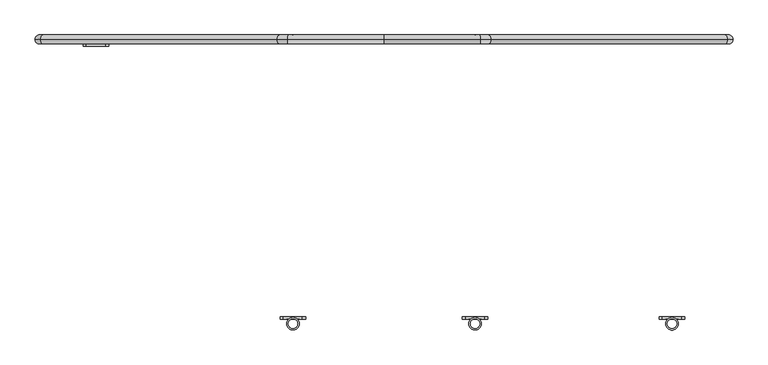
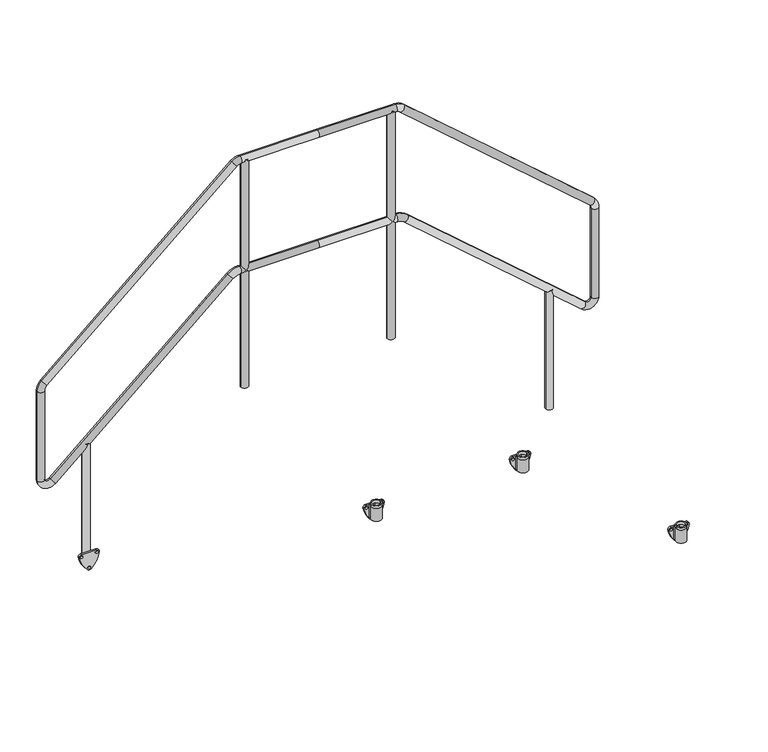
"""IFC4 building model written with IfcOpenShell, lengths in millimetres: beam geometry."""

from ifc_helpers import new_model, si_unit, point, frame, frame_2d, origin, place, context, project, spatial, polyline, circle_curve, ellipse_curve, trimmed, segment, composite_curve, outline, extrude, source, transform, mapped, element, save
from ifc_brep_helpers import plane_surface, cylinder_surface, revolved_surface, advanced_brep


def beam_e719cc30(model_context):
    return source(origin(), model_context, "Body", "SolidModel", [
        extrude(outline(composite_curve([segment(trimmed(circle_curve(frame_2d((312.1021879, -1005.6)), 118.3), [point((293.8380046, -1122.4816051))], [point((221.6269174, -1081.8175533))], False, "CARTESIAN"), True, "CONTINUOUS"), segment(trimmed(circle_curve(frame_2d((231.5021879, -1075.0)), 12.0), [point((221.6269174, -1081.8175533))], [point((223.2936993, -1066.246674))], False, "CARTESIAN"), True, "CONTINUOUS"), segment(trimmed(circle_curve(frame_2d((312.1021879, -1144.4)), 118.3), [point((223.2936993, -1066.246674))], [point((293.8380046, -1027.5183949))], False, "CARTESIAN"), True, "CONTINUOUS"), segment(trimmed(circle_curve(frame_2d((294.5021879, -1039.5)), 12.0), [point((293.8380046, -1027.5183949))], [point((306.5021879, -1039.5))], False, "CARTESIAN"), True, "CONTINUOUS"), segment(polyline([(306.5021879, -1039.5), (306.5021879, -1110.5)]), True, "CONTINUOUS"), segment(trimmed(circle_curve(frame_2d((294.5021879, -1110.5)), 12.0), [point((306.5021879, -1110.5))], [point((293.8380046, -1122.4816051))], False, "CARTESIAN"), True, "CONTINUOUS")], self_intersect=False), holes=[composite_curve([segment(trimmed(circle_curve(frame_2d((231.5021879, -1075.0)), 6.0), [point((231.5021879, -1081.0))], [point((231.5021879, -1069.0))], True, "CARTESIAN"), True, "CONTINUOUS"), segment(trimmed(circle_curve(frame_2d((231.5021879, -1075.0)), 6.0), [point((231.5021879, -1069.0))], [point((231.5021879, -1081.0))], True, "CARTESIAN"), True, "CONTINUOUS")], self_intersect=False), composite_curve([segment(trimmed(circle_curve(frame_2d((294.5021879, -1110.5)), 6.0), [point((294.5021879, -1116.5))], [point((294.5021879, -1104.5))], True, "CARTESIAN"), True, "CONTINUOUS"), segment(trimmed(circle_curve(frame_2d((294.5021879, -1110.5)), 6.0), [point((294.5021879, -1104.5))], [point((294.5021879, -1116.5))], True, "CARTESIAN"), True, "CONTINUOUS")], self_intersect=False), composite_curve([segment(trimmed(circle_curve(frame_2d((294.5021879, -1039.5)), 6.0), [point((294.5021879, -1033.5))], [point((294.5021879, -1045.5))], True, "CARTESIAN"), True, "CONTINUOUS"), segment(trimmed(circle_curve(frame_2d((294.5021879, -1039.5)), 6.0), [point((294.5021879, -1045.5))], [point((294.5021879, -1033.5))], True, "CARTESIAN"), True, "CONTINUOUS")], self_intersect=False)]), frame((0.0, 505.0, 0.0), z_axis=(0.0, 1.0, 0.0), x_axis=(0.0, 0.0, 1.0)), (0.0, 0.0, 1.0), 8.0),
        extrude(outline(composite_curve([segment(trimmed(circle_curve(frame_2d((-1075.0, 530.5)), 16.8), [point((-1091.8, 530.5))], [point((-1058.2, 530.5))], False, "CARTESIAN"), True, "CONTINUOUS"), segment(trimmed(circle_curve(frame_2d((-1075.0, 530.5)), 16.8), [point((-1058.2, 530.5))], [point((-1091.8, 530.5))], False, "CARTESIAN"), True, "CONTINUOUS")], self_intersect=False)), frame((0.0, 0.0, 248.5021879), z_axis=(0.0, 0.0, 1.0), x_axis=(1.0, 0.0, 0.0)), (0.0, 0.0, 1.0), 585.0),
        extrude(outline(composite_curve([segment(trimmed(circle_curve(frame_2d((1075.0, 530.5)), 16.8), [point((1091.8, 530.5))], [point((1058.2, 530.5))], False, "CARTESIAN"), True, "CONTINUOUS"), segment(trimmed(circle_curve(frame_2d((1075.0, 530.5)), 16.8), [point((1058.2, 530.5))], [point((1091.8, 530.5))], False, "CARTESIAN"), True, "CONTINUOUS")], self_intersect=False)), frame((0.0, 0.0, 248.5021879), z_axis=(0.0, 0.0, 1.0), x_axis=(1.0, 0.0, 0.0)), (0.0, 0.0, 1.0), 585.0),
        extrude(outline(composite_curve([segment(trimmed(circle_curve(frame_2d((-340.0, 530.5)), 16.8), [point((-356.8, 530.5))], [point((-323.2, 530.5))], False, "CARTESIAN"), True, "CONTINUOUS"), segment(trimmed(circle_curve(frame_2d((-340.0, 530.5)), 16.8), [point((-323.2, 530.5))], [point((-356.8, 530.5))], False, "CARTESIAN"), True, "CONTINUOUS")], self_intersect=False)), frame((0.0, 0.0, 850.5021879), z_axis=(0.0, 0.0, 1.0), x_axis=(1.0, 0.0, 0.0)), (0.0, 0.0, 1.0), 1120.0),
        extrude(outline(composite_curve([segment(trimmed(circle_curve(frame_2d((340.0, 530.5)), 16.8), [point((356.8, 530.5))], [point((323.2, 530.5))], False, "CARTESIAN"), True, "CONTINUOUS"), segment(trimmed(circle_curve(frame_2d((340.0, 530.5)), 16.8), [point((323.2, 530.5))], [point((356.8, 530.5))], False, "CARTESIAN"), True, "CONTINUOUS")], self_intersect=False)), frame((0.0, 0.0, 850.5021879), z_axis=(0.0, 0.0, 1.0), x_axis=(1.0, 0.0, 0.0)), (0.0, 0.0, 1.0), 1120.0),
        advanced_brep(
        [(0.0, 530.5, 1953.9021879), (0.0, 530.5, 1987.5021879), (360.0669192, 530.5, 1987.5021879), (360.0669192, 530.5, 1953.9021879), (399.430461, 530.5, 1972.7847627), (377.3868776, 530.5, 1947.4265208), (1282.3635417, 530.5, 1205.2627452), (1260.3199584, 530.5, 1179.9045033), (1303.0, 530.5, 1159.9801704), (1269.4, 530.5, 1159.9801704), (1303.0, 530.5, 721.9830931), (1269.4, 530.5, 721.9830931), (1220.1970486, 530.5, 684.2476141), (1242.2406319, 530.5, 709.605856), (396.6087175, 530.5, 1400.1820278), (418.6523008, 530.5, 1425.5402697), (363.805766, 530.5, 1412.4465487), (363.805766, 530.5, 1446.0465487), (0.0, 530.5, 1412.4465487), (0.0, 530.5, 1446.0465487), (-360.0669192, 530.5, 1953.9021879), (-360.0669192, 530.5, 1987.5021879), (-377.3868776, 530.5, 1947.4265208), (-399.430461, 530.5, 1972.7847627), (-1260.3199584, 530.5, 1179.9045033), (-1282.3635417, 530.5, 1205.2627452), (-1269.4, 530.5, 1159.9801704), (-1303.0, 530.5, 1159.9801704), (-1269.4, 530.5, 721.9830931), (-1303.0, 530.5, 721.9830931), (-1242.2406319, 530.5, 709.605856), (-1220.1970486, 530.5, 684.2476141), (-418.6523008, 530.5, 1425.5402697), (-396.6087175, 530.5, 1400.1820278), (-363.805766, 530.5, 1446.0465487), (-363.805766, 530.5, 1412.4465487)],
        [
            (0, 1, circle_curve(frame((0.0, 530.5, 1970.7021879), z_axis=(1.0, 0.0, 0.0), x_axis=(0.0, 0.0, -1.0)), 16.8)),
            (1, 2),
            (2, 3, circle_curve(frame((360.0669192, 530.5, 1970.7021879), z_axis=(-1.0, 0.0, 0.0), x_axis=(0.0, 0.0, -1.0)), 16.8)),
            (3, 0),
            (3, 2, circle_curve(frame((360.0669192, 530.5, 1970.7021879), z_axis=(-1.0, 0.0, 0.0), x_axis=(0.0, 0.0, -1.0)), 16.8)),
            (1, 0, circle_curve(frame((0.0, 530.5, 1970.7021879), z_axis=(1.0, 0.0, 0.0), x_axis=(0.0, 0.0, -1.0)), 16.8)),
            (2, 4, circle_curve(frame((360.0669192, 530.5, 1927.5021879), z_axis=(0.0, 1.0, 0.0), x_axis=(0.0, 0.0, 1.0)), 60.0)),
            (4, 5, circle_curve(frame((388.4086693, 530.5, 1960.1056417), z_axis=(-0.7547095802227741, 0.0, 0.6560590289905048), x_axis=(-0.6560590289905048, 0.0, -0.7547095802227741)), 16.8)),
            (5, 3, circle_curve(frame((360.0669192, 530.5, 1927.5021879), z_axis=(0.0, -1.0, 0.0), x_axis=(0.0, 0.0, 1.0)), 26.4)),
            (5, 4, circle_curve(frame((388.4086693, 530.5, 1960.1056417), z_axis=(-0.754709580222774, 0.0, 0.6560590289905049), x_axis=(-0.6560590289905049, 0.0, -0.754709580222774)), 16.8)),
            (4, 6),
            (6, 7, circle_curve(frame((1271.3417501, 530.5, 1192.5836242), z_axis=(-0.7547095802227749, 0.0, 0.6560590289905042), x_axis=(-0.6560590289905041, 0.0, -0.7547095802227747)), 16.8)),
            (7, 5),
            (7, 6, circle_curve(frame((1271.3417501, 530.5, 1192.5836242), z_axis=(-0.7547095802227749, 0.0, 0.6560590289905042), x_axis=(-0.6560590289905041, 0.0, -0.7547095802227747)), 16.8)),
            (6, 8, circle_curve(frame((1243.0, 530.5, 1159.9801704), z_axis=(0.0, 1.0, 0.0), x_axis=(0.6560590289905028, 0.0, 0.7547095802227759)), 60.0)),
            (8, 9, circle_curve(frame((1286.2, 530.5, 1159.9801704), z_axis=(0.0, 0.0, 1.0), x_axis=(-1.0, 0.0, 0.0)), 16.8)),
            (9, 7, circle_curve(frame((1243.0, 530.5, 1159.9801704), z_axis=(0.0, -1.0, 0.0), x_axis=(0.6560590289905028, 0.0, 0.7547095802227759)), 26.4)),
            (9, 8, circle_curve(frame((1286.2, 530.5, 1159.9801704), z_axis=(0.0, 0.0, 1.0), x_axis=(-1.0, 0.0, 0.0)), 16.8)),
            (8, 10),
            (10, 11, circle_curve(frame((1286.2, 530.5, 721.9830931), z_axis=(0.0, 0.0, 1.0), x_axis=(-1.0, 0.0, 0.0)), 16.8)),
            (11, 9),
            (11, 10, circle_curve(frame((1286.2, 530.5, 721.9830931), z_axis=(0.0, 0.0, 1.0), x_axis=(-1.0, 0.0, 0.0)), 16.8)),
            (10, 12, circle_curve(frame((1253.0, 530.5, 721.9830931), z_axis=(0.0, 1.0, 0.0), x_axis=(1.0, 0.0, 0.0)), 50.0)),
            (12, 13, circle_curve(frame((1231.2188402, 530.5, 696.9267351), z_axis=(0.7547095802227767, 0.0, -0.6560590289905018), x_axis=(0.6560590289905018, 0.0, 0.7547095802227767)), 16.8)),
            (13, 11, circle_curve(frame((1253.0, 530.5, 721.9830931), z_axis=(0.0, -1.0, 0.0), x_axis=(1.0, 0.0, 0.0)), 16.4)),
            (13, 12, circle_curve(frame((1231.2188402, 530.5, 696.9267351), z_axis=(0.7547095802227715, 0.0, -0.6560590289905078), x_axis=(0.6560590289905078, 0.0, 0.7547095802227715)), 16.8)),
            (12, 14),
            (14, 15, circle_curve(frame((407.6305092, 530.5, 1412.8611487), z_axis=(0.7547095802227748, 0.0, -0.6560590289905041), x_axis=(0.6560590289905041, 0.0, 0.7547095802227748)), 16.8)),
            (15, 13),
            (15, 14, circle_curve(frame((407.6305092, 530.5, 1412.8611487), z_axis=(0.7547095802227748, 0.0, -0.6560590289905041), x_axis=(0.6560590289905041, 0.0, 0.7547095802227748)), 16.8)),
            (14, 16, circle_curve(frame((363.805766, 530.5, 1362.4465487), z_axis=(0.0, -1.0, 0.0), x_axis=(0.6560590289905083, 0.0, 0.754709580222771)), 50.0)),
            (16, 17, circle_curve(frame((363.805766, 530.5, 1429.2465487), z_axis=(0.9999999999999998, 0.0, 0.0), x_axis=(0.0, 0.0, 0.9999999999999998)), 16.8)),
            (17, 15, circle_curve(frame((363.805766, 530.5, 1362.4465487), z_axis=(0.0, 1.0, 0.0), x_axis=(0.6560590289905083, 0.0, 0.754709580222771)), 83.6)),
            (17, 16, circle_curve(frame((363.805766, 530.5, 1429.2465487), z_axis=(0.9999999999999998, 0.0, 0.0), x_axis=(0.0, 0.0, 0.9999999999999998)), 16.8)),
            (16, 18),
            (18, 19, circle_curve(frame((0.0, 530.5, 1429.2465487), z_axis=(1.0, 0.0, 0.0), x_axis=(0.0, 0.0, 1.0)), 16.8)),
            (19, 17),
            (19, 18, circle_curve(frame((0.0, 530.5, 1429.2465487), z_axis=(1.0, 0.0, 0.0), x_axis=(0.0, 0.0, 1.0)), 16.8)),
            (0, 20),
            (20, 21, circle_curve(frame((-360.0669192, 530.5, 1970.7021879), z_axis=(1.0, 0.0, 0.0), x_axis=(0.0, 0.0, -1.0)), 16.8)),
            (21, 1),
            (21, 20, circle_curve(frame((-360.0669192, 530.5, 1970.7021879), z_axis=(1.0, 0.0, 0.0), x_axis=(0.0, 0.0, -1.0)), 16.8)),
            (20, 22, circle_curve(frame((-360.0669192, 530.5, 1927.5021879), z_axis=(0.0, -1.0, 0.0), x_axis=(0.0, 0.0, 1.0)), 26.4)),
            (22, 23, circle_curve(frame((-388.4086693, 530.5, 1960.1056417), z_axis=(0.7547095802227722, 0.0, 0.656059028990507), x_axis=(0.656059028990507, 0.0, -0.7547095802227722)), 16.8)),
            (23, 21, circle_curve(frame((-360.0669192, 530.5, 1927.5021879), z_axis=(0.0, 1.0, 0.0), x_axis=(0.0, 0.0, 1.0)), 60.0)),
            (23, 22, circle_curve(frame((-388.4086693, 530.5, 1960.1056417), z_axis=(0.7547095802227739, 0.0, 0.6560590289905052), x_axis=(0.6560590289905052, 0.0, -0.7547095802227739)), 16.8)),
            (22, 24),
            (24, 25, circle_curve(frame((-1271.3417501, 530.5, 1192.5836242), z_axis=(0.7547095802227749, 0.0, 0.6560590289905042), x_axis=(0.6560590289905041, 0.0, -0.7547095802227747)), 16.8)),
            (25, 23),
            (25, 24, circle_curve(frame((-1271.3417501, 530.5, 1192.5836242), z_axis=(0.7547095802227749, 0.0, 0.6560590289905042), x_axis=(0.6560590289905041, 0.0, -0.7547095802227747)), 16.8)),
            (24, 26, circle_curve(frame((-1243.0, 530.5, 1159.9801704), z_axis=(0.0, -1.0, 0.0), x_axis=(-0.6560590289905042, 0.0, 0.7547095802227747)), 26.4)),
            (26, 27, circle_curve(frame((-1286.2, 530.5, 1159.9801704), z_axis=(0.0, 0.0, 1.0), x_axis=(1.0, 0.0, 0.0)), 16.8)),
            (27, 25, circle_curve(frame((-1243.0, 530.5, 1159.9801704), z_axis=(0.0, 1.0, 0.0), x_axis=(-0.6560590289905042, 0.0, 0.7547095802227747)), 60.0)),
            (27, 26, circle_curve(frame((-1286.2, 530.5, 1159.9801704), z_axis=(0.0, 0.0, 1.0), x_axis=(1.0, 0.0, 0.0)), 16.8)),
            (26, 28),
            (28, 29, circle_curve(frame((-1286.2, 530.5, 721.9830931), z_axis=(0.0, 0.0, 1.0), x_axis=(1.0, 0.0, 0.0)), 16.8)),
            (29, 27),
            (29, 28, circle_curve(frame((-1286.2, 530.5, 721.9830931), z_axis=(0.0, 0.0, 1.0), x_axis=(1.0, 0.0, 0.0)), 16.8)),
            (28, 30, circle_curve(frame((-1253.0, 530.5, 721.9830931), z_axis=(0.0, -1.0, 0.0), x_axis=(-1.0, 0.0, 0.0)), 16.4)),
            (30, 31, circle_curve(frame((-1231.2188402, 530.5, 696.9267351), z_axis=(-0.7547095802227692, 0.0, -0.6560590289905105), x_axis=(-0.6560590289905105, 0.0, 0.7547095802227692)), 16.8)),
            (31, 29, circle_curve(frame((-1253.0, 530.5, 721.9830931), z_axis=(0.0, 1.0, 0.0), x_axis=(-1.0, 0.0, 0.0)), 50.0)),
            (31, 30, circle_curve(frame((-1231.2188402, 530.5, 696.9267351), z_axis=(-0.754709580222778, 0.0, -0.6560590289905005), x_axis=(-0.6560590289905005, 0.0, 0.754709580222778)), 16.8)),
            (30, 32),
            (32, 33, circle_curve(frame((-407.6305092, 530.5, 1412.8611487), z_axis=(-0.7547095802227748, 0.0, -0.6560590289905041), x_axis=(-0.6560590289905041, 0.0, 0.7547095802227748)), 16.8)),
            (33, 31),
            (33, 32, circle_curve(frame((-407.6305092, 530.5, 1412.8611487), z_axis=(-0.7547095802227748, 0.0, -0.6560590289905041), x_axis=(-0.6560590289905041, 0.0, 0.7547095802227748)), 16.8)),
            (32, 34, circle_curve(frame((-363.805766, 530.5, 1362.4465487), z_axis=(0.0, 1.0, 0.0), x_axis=(-0.6560590289905083, 0.0, 0.754709580222771)), 83.6)),
            (34, 35, circle_curve(frame((-363.805766, 530.5, 1429.2465487), z_axis=(-0.9999999999999999, 0.0, 0.0), x_axis=(0.0, 0.0, 0.9999999999999999)), 16.8)),
            (35, 33, circle_curve(frame((-363.805766, 530.5, 1362.4465487), z_axis=(0.0, -1.0, 0.0), x_axis=(-0.6560590289905083, 0.0, 0.754709580222771)), 50.0)),
            (35, 34, circle_curve(frame((-363.805766, 530.5, 1429.2465487), z_axis=(-0.9999999999999999, 0.0, 0.0), x_axis=(0.0, 0.0, 0.9999999999999999)), 16.8)),
            (34, 19),
            (18, 35),
        ],
        [
            cylinder_surface(frame((0.0, 530.5, 1970.7021879), z_axis=(-1.0, 0.0, 0.0), x_axis=(0.0, 0.0, -1.0)), 16.8),
            revolved_surface(trimmed(ellipse_curve(frame((360.0669192, 530.5, 1970.7021879), z_axis=(1.0, 0.0, 0.0), x_axis=(0.0, 0.0, -1.0)), 16.8, 16.8), [point((360.0669192, 530.5, 1953.9021879))], [point((360.0669192, 530.5, 1987.5021879))], True, "CARTESIAN"), (360.0669192, 530.5, 1927.5021879), (0.0, -1.0, 0.0)),
            revolved_surface(trimmed(ellipse_curve(frame((360.0669192, 530.5, 1970.7021879), z_axis=(1.0, 0.0, 0.0), x_axis=(0.0, 0.0, -1.0)), 16.8, 16.8), [point((360.0669192, 530.5, 1987.5021879))], [point((360.0669192, 530.5, 1953.9021879))], True, "CARTESIAN"), (360.0669192, 530.5, 1927.5021879), (0.0, -1.0, 0.0)),
            cylinder_surface(frame((388.4086693, 530.5, 1960.1056417), z_axis=(-0.7547095802227747, 0.0, 0.6560590289905041), x_axis=(-0.6560590289905041, 0.0, -0.7547095802227747)), 16.8),
            revolved_surface(trimmed(ellipse_curve(frame((1271.3417501, 530.5, 1192.5836242), z_axis=(0.7547095802227761, 0.0, -0.6560590289905026), x_axis=(-0.6560590289905026, 0.0, -0.7547095802227761)), 16.8, 16.8), [point((1260.3199584, 530.5, 1179.9045033))], [point((1282.3635417, 530.5, 1205.2627452))], True, "CARTESIAN"), (1243.0, 530.5, 1159.9801704), (0.0, -1.0, 0.0)),
            revolved_surface(trimmed(ellipse_curve(frame((1271.3417501, 530.5, 1192.5836242), z_axis=(0.7547095802227761, 0.0, -0.6560590289905026), x_axis=(-0.6560590289905026, 0.0, -0.7547095802227761)), 16.8, 16.8), [point((1282.3635417, 530.5, 1205.2627452))], [point((1260.3199584, 530.5, 1179.9045033))], True, "CARTESIAN"), (1243.0, 530.5, 1159.9801704), (0.0, -1.0, 0.0)),
            cylinder_surface(frame((1286.2, 530.5, 1159.9801704), z_axis=(0.0, 0.0, 1.0), x_axis=(-1.0, 0.0, 0.0)), 16.8),
            revolved_surface(trimmed(ellipse_curve(frame((1286.2, 530.5, 721.9830931), z_axis=(0.0, 0.0, -1.0), x_axis=(-1.0, 0.0, 0.0)), 16.8, 16.8), [point((1269.4, 530.5, 721.9830931))], [point((1303.0, 530.5, 721.9830931))], True, "CARTESIAN"), (1253.0, 530.5, 721.9830931), (0.0, -1.0, 0.0)),
            revolved_surface(trimmed(ellipse_curve(frame((1286.2, 530.5, 721.9830931), z_axis=(0.0, 0.0, -1.0), x_axis=(-1.0, 0.0, 0.0)), 16.8, 16.8), [point((1303.0, 530.5, 721.9830931))], [point((1269.4, 530.5, 721.9830931))], True, "CARTESIAN"), (1253.0, 530.5, 721.9830931), (0.0, -1.0, 0.0)),
            cylinder_surface(frame((1231.2188402, 530.5, 696.9267351), z_axis=(0.7547095802227748, 0.0, -0.6560590289905041), x_axis=(0.6560590289905041, 0.0, 0.7547095802227748)), 16.8),
            revolved_surface(trimmed(ellipse_curve(frame((407.6305092, 530.5, 1412.8611487), z_axis=(-0.7547095802227711, 0.0, 0.6560590289905082), x_axis=(0.6560590289905082, 0.0, 0.7547095802227711)), 16.8, 16.8), [point((418.6523008, 530.5, 1425.5402697))], [point((396.6087175, 530.5, 1400.1820278))], True, "CARTESIAN"), (363.805766, 530.5, 1362.4465487), (0.0, 1.0, 0.0)),
            revolved_surface(trimmed(ellipse_curve(frame((407.6305092, 530.5, 1412.8611487), z_axis=(-0.7547095802227711, 0.0, 0.6560590289905082), x_axis=(0.6560590289905082, 0.0, 0.7547095802227711)), 16.8, 16.8), [point((396.6087175, 530.5, 1400.1820278))], [point((418.6523008, 530.5, 1425.5402697))], True, "CARTESIAN"), (363.805766, 530.5, 1362.4465487), (0.0, 1.0, 0.0)),
            cylinder_surface(frame((363.805766, 530.5, 1429.2465487), z_axis=(1.0, 0.0, 0.0), x_axis=(0.0, 0.0, 1.0)), 16.8),
            cylinder_surface(frame((0.0, 530.5, 1970.7021879), z_axis=(1.0, 0.0, 0.0), x_axis=(0.0, 0.0, -1.0)), 16.8),
            revolved_surface(trimmed(ellipse_curve(frame((-360.0669192, 530.5, 1970.7021879), z_axis=(-1.0, 0.0, 0.0), x_axis=(0.0, 0.0, -1.0)), 16.8, 16.8), [point((-360.0669192, 530.5, 1987.5021879))], [point((-360.0669192, 530.5, 1953.9021879))], True, "CARTESIAN"), (-360.0669192, 530.5, 1927.5021879), (0.0, 1.0, 0.0)),
            revolved_surface(trimmed(ellipse_curve(frame((-360.0669192, 530.5, 1970.7021879), z_axis=(-1.0, 0.0, 0.0), x_axis=(0.0, 0.0, -1.0)), 16.8, 16.8), [point((-360.0669192, 530.5, 1953.9021879))], [point((-360.0669192, 530.5, 1987.5021879))], True, "CARTESIAN"), (-360.0669192, 530.5, 1927.5021879), (0.0, 1.0, 0.0)),
            cylinder_surface(frame((-388.4086693, 530.5, 1960.1056417), z_axis=(0.7547095802227747, 0.0, 0.6560590289905041), x_axis=(0.6560590289905041, 0.0, -0.7547095802227747)), 16.8),
            revolved_surface(trimmed(ellipse_curve(frame((-1271.3417501, 530.5, 1192.5836242), z_axis=(-0.7547095802227748, 0.0, -0.656059028990504), x_axis=(0.656059028990504, 0.0, -0.7547095802227748)), 16.8, 16.8), [point((-1282.3635417, 530.5, 1205.2627452))], [point((-1260.3199584, 530.5, 1179.9045033))], True, "CARTESIAN"), (-1243.0, 530.5, 1159.9801704), (0.0, 1.0, 0.0)),
            revolved_surface(trimmed(ellipse_curve(frame((-1271.3417501, 530.5, 1192.5836242), z_axis=(-0.7547095802227748, 0.0, -0.656059028990504), x_axis=(0.656059028990504, 0.0, -0.7547095802227748)), 16.8, 16.8), [point((-1260.3199584, 530.5, 1179.9045033))], [point((-1282.3635417, 530.5, 1205.2627452))], True, "CARTESIAN"), (-1243.0, 530.5, 1159.9801704), (0.0, 1.0, 0.0)),
            cylinder_surface(frame((-1286.2, 530.5, 1159.9801704), z_axis=(0.0, 0.0, 1.0), x_axis=(1.0, 0.0, 0.0)), 16.8),
            revolved_surface(trimmed(ellipse_curve(frame((-1286.2, 530.5, 721.9830931), z_axis=(0.0, 0.0, -1.0), x_axis=(1.0, 0.0, 0.0)), 16.8, 16.8), [point((-1303.0, 530.5, 721.9830931))], [point((-1269.4, 530.5, 721.9830931))], True, "CARTESIAN"), (-1253.0, 530.5, 721.9830931), (0.0, 1.0, 0.0)),
            revolved_surface(trimmed(ellipse_curve(frame((-1286.2, 530.5, 721.9830931), z_axis=(0.0, 0.0, -1.0), x_axis=(1.0, 0.0, 0.0)), 16.8, 16.8), [point((-1269.4, 530.5, 721.9830931))], [point((-1303.0, 530.5, 721.9830931))], True, "CARTESIAN"), (-1253.0, 530.5, 721.9830931), (0.0, 1.0, 0.0)),
            cylinder_surface(frame((-1231.2188402, 530.5, 696.9267351), z_axis=(-0.7547095802227748, 0.0, -0.6560590289905041), x_axis=(-0.6560590289905041, 0.0, 0.7547095802227748)), 16.8),
            revolved_surface(trimmed(ellipse_curve(frame((-407.6305092, 530.5, 1412.8611487), z_axis=(0.7547095802227711, 0.0, 0.6560590289905082), x_axis=(-0.6560590289905082, 0.0, 0.7547095802227711)), 16.8, 16.8), [point((-396.6087175, 530.5, 1400.1820278))], [point((-418.6523008, 530.5, 1425.5402697))], True, "CARTESIAN"), (-363.805766, 530.5, 1362.4465487), (0.0, -1.0, 0.0)),
            revolved_surface(trimmed(ellipse_curve(frame((-407.6305092, 530.5, 1412.8611487), z_axis=(0.7547095802227711, 0.0, 0.6560590289905082), x_axis=(-0.6560590289905082, 0.0, 0.7547095802227711)), 16.8, 16.8), [point((-418.6523008, 530.5, 1425.5402697))], [point((-396.6087175, 530.5, 1400.1820278))], True, "CARTESIAN"), (-363.805766, 530.5, 1362.4465487), (0.0, -1.0, 0.0)),
            cylinder_surface(frame((-363.805766, 530.5, 1429.2465487), z_axis=(-1.0, 0.0, 0.0), x_axis=(0.0, 0.0, 1.0)), 16.8),
        ],
        [
            (0, [[1, 2, 3, 4]]),
            (0, [[5, -2, 6, -4]]),
            (1, [[7, 8, 9, -3]]),
            (2, [[-9, 10, -7, -5]]),
            (3, [[11, 12, 13, -8]]),
            (3, [[-13, 14, -11, -10]]),
            (4, [[15, 16, 17, -12]]),
            (5, [[-17, 18, -15, -14]]),
            (6, [[19, 20, 21, -16]]),
            (6, [[-21, 22, -19, -18]]),
            (7, [[23, 24, 25, -20]]),
            (8, [[-25, 26, -23, -22]]),
            (9, [[27, 28, 29, -24]]),
            (9, [[-29, 30, -27, -26]]),
            (10, [[31, 32, 33, -28]]),
            (11, [[-33, 34, -31, -30]]),
            (12, [[35, 36, 37, -32]]),
            (12, [[-37, 38, -35, -34]]),
            (13, [[-1, 39, 40, 41]]),
            (13, [[42, -39, -6, -41]]),
            (14, [[43, 44, 45, -40]]),
            (15, [[-45, 46, -43, -42]]),
            (16, [[47, 48, 49, -44]]),
            (16, [[-49, 50, -47, -46]]),
            (17, [[51, 52, 53, -48]]),
            (18, [[-53, 54, -51, -50]]),
            (19, [[55, 56, 57, -52]]),
            (19, [[-57, 58, -55, -54]]),
            (20, [[59, 60, 61, -56]]),
            (21, [[-61, 62, -59, -58]]),
            (22, [[63, 64, 65, -60]]),
            (22, [[-65, 66, -63, -62]]),
            (23, [[67, 68, 69, -64]]),
            (24, [[-69, 70, -67, -66]]),
            (25, [[71, -36, 72, -68]]),
            (25, [[-72, -38, -71, -70]]),
        ],
    ),
        advanced_brep(
        [(1051.5, -530.5, 318.5021879), (1098.5, -530.5, 318.5021879), (1057.5, -530.5, 318.5021879), (1092.5, -530.5, 318.5021879), (1059.3156129, -513.0, 306.5021879), (1090.6843871, -513.0, 306.5021879), (1075.0, -513.0, 306.5021879), (1057.5, -530.5, 306.5021879), (1070.7257904, -513.5299932, 306.5021879), (1075.0, -513.0, 306.5021879), (1079.2742096, -513.5299932, 306.5021879), (1092.5, -530.5, 306.5021879), (1051.5, -530.5, 306.5021879), (1098.5, -530.5, 306.5021879), (1094.9275065, -518.0442991, 306.5021879), (1055.0724935, -518.0442991, 306.5021879), (1097.839834, -513.0, 306.5021879), (1052.160166, -513.0, 306.5021879), (1094.9275065, -518.0442991, 242.5021879), (1055.0724935, -518.0442991, 242.5021879), (1052.160166, -513.0, 242.5021879), (1097.839834, -513.0, 242.5021879), (1079.2742096, -513.5299932, 242.5021879), (1070.7257904, -513.5299932, 242.5021879)],
        [
            (0, 1, circle_curve(frame((1075.0, -530.5, 318.5021879), z_axis=(0.0, 0.0, 1.0), x_axis=(1.0, 0.0, 0.0)), 23.5)),
            (1, 0, circle_curve(frame((1075.0, -530.5, 318.5021879), z_axis=(0.0, 0.0, 1.0), x_axis=(1.0, 0.0, 0.0)), 23.5)),
            (2, 3, circle_curve(frame((1075.0, -530.5, 318.5021879), z_axis=(0.0, 0.0, -1.0), x_axis=(1.0, 0.0, 0.0)), 17.5)),
            (3, 2, circle_curve(frame((1075.0, -530.5, 318.5021879), z_axis=(0.0, 0.0, -1.0), x_axis=(1.0, 0.0, 0.0)), 17.5)),
            (4, 5, circle_curve(frame((1075.0, -530.5, 306.5021879), z_axis=(0.0, 0.0, -1.0), x_axis=(1.0, 0.0, 0.0)), 23.5)),
            (5, 6),
            (6, 4),
            (2, 7),
            (7, 8, circle_curve(frame((1075.0, -530.5, 306.5021879), z_axis=(0.0, 0.0, -1.0), x_axis=(1.0, 0.0, 0.0)), 17.5)),
            (8, 9, circle_curve(frame((1075.0, -530.5, 306.5021879), z_axis=(0.0, 0.0, -1.0), x_axis=(1.0, 0.0, 0.0)), 17.5)),
            (9, 10, circle_curve(frame((1075.0, -530.5, 306.5021879), z_axis=(0.0, 0.0, -1.0), x_axis=(1.0, 0.0, 0.0)), 17.5)),
            (10, 11, circle_curve(frame((1075.0, -530.5, 306.5021879), z_axis=(0.0, 0.0, -1.0), x_axis=(1.0, 0.0, 0.0)), 17.5)),
            (11, 3),
            (11, 7, circle_curve(frame((1075.0, -530.5, 306.5021879), z_axis=(0.0, 0.0, -1.0), x_axis=(1.0, 0.0, 0.0)), 17.5)),
            (0, 12),
            (12, 13, circle_curve(frame((1075.0, -530.5, 306.5021879), z_axis=(0.0, 0.0, 1.0), x_axis=(1.0, 0.0, 0.0)), 23.5)),
            (13, 1),
            (13, 14, circle_curve(frame((1075.0, -530.5, 306.5021879), z_axis=(0.0, 0.0, 1.0), x_axis=(1.0, 0.0, 0.0)), 23.5)),
            (14, 5, circle_curve(frame((1075.0, -530.5, 306.5021879), z_axis=(0.0, 0.0, 1.0), x_axis=(1.0, 0.0, 0.0)), 23.5)),
            (4, 15, circle_curve(frame((1075.0, -530.5, 306.5021879), z_axis=(0.0, 0.0, 1.0), x_axis=(1.0, 0.0, 0.0)), 23.5)),
            (15, 12, circle_curve(frame((1075.0, -530.5, 306.5021879), z_axis=(0.0, 0.0, 1.0), x_axis=(1.0, 0.0, 0.0)), 23.5)),
            (8, 10),
            (14, 16, circle_curve(frame((1097.8288747, -516.3565387, 306.5021879), z_axis=(0.0, 0.0, -1.0), x_axis=(-1.0, 0.0, 0.0)), 3.3565566)),
            (16, 5),
            (17, 15, circle_curve(frame((1052.1711253, -516.3565387, 306.5021879), z_axis=(0.0, 0.0, -1.0), x_axis=(1.0, 0.0, 0.0)), 3.3565566)),
            (4, 17),
            (18, 19, circle_curve(frame((1075.0, -530.5, 242.5021879), z_axis=(0.0, 0.0, -1.0), x_axis=(1.0, 0.0, 0.0)), 23.5)),
            (19, 20, circle_curve(frame((1052.1711253, -516.3565387, 242.5021879), z_axis=(0.0, 0.0, 1.0), x_axis=(1.0, 0.0, 0.0)), 3.3565566)),
            (20, 21),
            (21, 18, circle_curve(frame((1097.8288747, -516.3565387, 242.5021879), z_axis=(0.0, 0.0, 1.0), x_axis=(-1.0, 0.0, 0.0)), 3.3565566)),
            (22, 23),
            (23, 22, circle_curve(frame((1075.0, -530.5, 242.5021879), z_axis=(0.0, 0.0, 1.0), x_axis=(1.0, 0.0, 0.0)), 17.5)),
            (23, 8),
            (10, 22),
            (14, 18),
            (21, 16),
            (20, 17),
            (19, 15),
        ],
        [
            plane_surface(frame((1092.5, -530.5, 318.5021879), z_axis=(0.0, 0.0, 1.0), x_axis=(0.0, -1.0, 0.0))),
            plane_surface(frame((1092.5, -530.5, 306.5021879), z_axis=(0.0, 0.0, -1.0), x_axis=(0.0, 1.0, 0.0))),
            revolved_surface(polyline([(1092.5, -530.5, 306.5021879), (1092.5, -530.5, 318.5021879)]), (1075.0, -530.5, 306.5021879), (0.0, 0.0, -1.0)),
            cylinder_surface(frame((1075.0, -530.5, 306.5021879), z_axis=(0.0, 0.0, 1.0), x_axis=(1.0, 0.0, 0.0)), 23.5),
            plane_surface(frame((1092.5, -530.5, 306.5021879), z_axis=(0.0, 0.0, 1.0), x_axis=(0.0, -1.0, 0.0))),
            plane_surface(frame((1092.5, -530.5, 242.5021879), z_axis=(0.0, 0.0, -1.0), x_axis=(0.0, 1.0, 0.0))),
            revolved_surface(polyline([(1092.5, -530.5, 242.5021879), (1092.5, -530.5, 306.5021879)]), (1075.0, -530.5, 242.5021879), (0.0, 0.0, -1.0)),
            plane_surface(frame((1070.7257904, -513.5299932, 306.5021879), z_axis=(0.0, -1.0, 0.0), x_axis=(0.0, 0.0, -1.0))),
            revolved_surface(polyline([(1094.4723181, -516.3565387, 242.5021879), (1094.4723181, -516.3565387, 306.5021879)]), (1097.8288747, -516.3565387, 242.5021879), (0.0, 0.0, -1.0)),
            plane_surface(frame((1097.839834, -513.0, 306.5021879), z_axis=(0.0, 1.0, 0.0), x_axis=(0.0, 0.0, -1.0))),
            revolved_surface(polyline([(1055.5276819, -516.3565387, 242.5021879), (1055.5276819, -516.3565387, 306.5021879)]), (1052.1711253, -516.3565387, 242.5021879), (0.0, 0.0, -1.0)),
            cylinder_surface(frame((1075.0, -530.5, 242.5021879), z_axis=(0.0, 0.0, 1.0), x_axis=(1.0, 0.0, 0.0)), 23.5),
        ],
        [
            (0, [[1, 2], [3, 4]]),
            (1, [[5, 6, 7]]),
            (2, [[-3, 8, 9, 10, 11, 12, 13]]),
            (2, [[-4, -13, 14, -8]]),
            (3, [[-1, 15, 16, 17]]),
            (3, [[-2, -17, 18, 19, -5, 20, 21, -15]]),
            (4, [[22, -11, -10]]),
            (4, [[23, 24, -19]]),
            (4, [[25, -20, 26]]),
            (5, [[27, 28, 29, 30], [31, 32]]),
            (6, [[-32, 33, -9, -14, -12, 34]]),
            (7, [[-22, -33, -31, -34]]),
            (8, [[-23, 35, -30, 36]]),
            (9, [[-29, 37, -26, -7, -6, -24, -36]]),
            (10, [[-25, -37, -28, 38]]),
            (11, [[-27, -35, -18, -16, -21, -38]]),
        ],
    ),
        extrude(outline(composite_curve([segment(trimmed(circle_curve(frame_2d((312.1021879, 1144.4)), 118.3), [point((293.8380046, 1027.5183949))], [point((221.6269174, 1068.1824467))], False, "CARTESIAN"), True, "CONTINUOUS"), segment(trimmed(circle_curve(frame_2d((231.5021879, 1075.0)), 12.0), [point((221.6269174, 1068.1824467))], [point((223.2936993, 1083.753326))], False, "CARTESIAN"), True, "CONTINUOUS"), segment(trimmed(circle_curve(frame_2d((312.1021879, 1005.6)), 118.3), [point((223.2936993, 1083.753326))], [point((293.8380046, 1122.4816051))], False, "CARTESIAN"), True, "CONTINUOUS"), segment(trimmed(circle_curve(frame_2d((294.5021879, 1110.5)), 12.0), [point((293.8380046, 1122.4816051))], [point((306.5021879, 1110.5))], False, "CARTESIAN"), True, "CONTINUOUS"), segment(polyline([(306.5021879, 1110.5), (306.5021879, 1039.5)]), True, "CONTINUOUS"), segment(trimmed(circle_curve(frame_2d((294.5021879, 1039.5)), 12.0), [point((306.5021879, 1039.5))], [point((293.8380046, 1027.5183949))], False, "CARTESIAN"), True, "CONTINUOUS")], self_intersect=False), holes=[composite_curve([segment(trimmed(circle_curve(frame_2d((231.5021879, 1075.0)), 6.0), [point((231.5021879, 1069.0))], [point((231.5021879, 1081.0))], True, "CARTESIAN"), True, "CONTINUOUS"), segment(trimmed(circle_curve(frame_2d((231.5021879, 1075.0)), 6.0), [point((231.5021879, 1081.0))], [point((231.5021879, 1069.0))], True, "CARTESIAN"), True, "CONTINUOUS")], self_intersect=False), composite_curve([segment(trimmed(circle_curve(frame_2d((294.5021879, 1039.5)), 6.0), [point((294.5021879, 1033.5))], [point((294.5021879, 1045.5))], True, "CARTESIAN"), True, "CONTINUOUS"), segment(trimmed(circle_curve(frame_2d((294.5021879, 1039.5)), 6.0), [point((294.5021879, 1045.5))], [point((294.5021879, 1033.5))], True, "CARTESIAN"), True, "CONTINUOUS")], self_intersect=False), composite_curve([segment(trimmed(circle_curve(frame_2d((294.5021879, 1110.5)), 6.0), [point((294.5021879, 1116.5))], [point((294.5021879, 1104.5))], True, "CARTESIAN"), True, "CONTINUOUS"), segment(trimmed(circle_curve(frame_2d((294.5021879, 1110.5)), 6.0), [point((294.5021879, 1104.5))], [point((294.5021879, 1116.5))], True, "CARTESIAN"), True, "CONTINUOUS")], self_intersect=False)]), frame((0.0, -513.0, 0.0), z_axis=(0.0, 1.0, 0.0), x_axis=(0.0, 0.0, 1.0)), (0.0, 0.0, 1.0), 8.0),
        advanced_brep(
        [(316.5, -530.5, 920.5021879), (363.5, -530.5, 920.5021879), (322.5, -530.5, 920.5021879), (357.5, -530.5, 920.5021879), (324.3156129, -513.0, 908.5021879), (355.6843871, -513.0, 908.5021879), (340.0, -513.0, 908.5021879), (322.5, -530.5, 908.5021879), (335.7257904, -513.5299932, 908.5021879), (340.0, -513.0, 908.5021879), (344.2742096, -513.5299932, 908.5021879), (357.5, -530.5, 908.5021879), (316.5, -530.5, 908.5021879), (363.5, -530.5, 908.5021879), (359.9275065, -518.0442991, 908.5021879), (320.0724935, -518.0442991, 908.5021879), (362.839834, -513.0, 908.5021879), (317.160166, -513.0, 908.5021879), (359.9275065, -518.0442991, 844.5021879), (320.0724935, -518.0442991, 844.5021879), (317.160166, -513.0, 844.5021879), (362.839834, -513.0, 844.5021879), (344.2742096, -513.5299932, 844.5021879), (335.7257904, -513.5299932, 844.5021879)],
        [
            (0, 1, circle_curve(frame((340.0, -530.5, 920.5021879), z_axis=(0.0, 0.0, 1.0), x_axis=(1.0, 0.0, 0.0)), 23.5)),
            (1, 0, circle_curve(frame((340.0, -530.5, 920.5021879), z_axis=(0.0, 0.0, 1.0), x_axis=(1.0, 0.0, 0.0)), 23.5)),
            (2, 3, circle_curve(frame((340.0, -530.5, 920.5021879), z_axis=(0.0, 0.0, -1.0), x_axis=(1.0, 0.0, 0.0)), 17.5)),
            (3, 2, circle_curve(frame((340.0, -530.5, 920.5021879), z_axis=(0.0, 0.0, -1.0), x_axis=(1.0, 0.0, 0.0)), 17.5)),
            (4, 5, circle_curve(frame((340.0, -530.5, 908.5021879), z_axis=(0.0, 0.0, -1.0), x_axis=(1.0, 0.0, 0.0)), 23.5)),
            (5, 6),
            (6, 4),
            (2, 7),
            (7, 8, circle_curve(frame((340.0, -530.5, 908.5021879), z_axis=(0.0, 0.0, -1.0), x_axis=(1.0, 0.0, 0.0)), 17.5)),
            (8, 9, circle_curve(frame((340.0, -530.5, 908.5021879), z_axis=(0.0, 0.0, -1.0), x_axis=(1.0, 0.0, 0.0)), 17.5)),
            (9, 10, circle_curve(frame((340.0, -530.5, 908.5021879), z_axis=(0.0, 0.0, -1.0), x_axis=(1.0, 0.0, 0.0)), 17.5)),
            (10, 11, circle_curve(frame((340.0, -530.5, 908.5021879), z_axis=(0.0, 0.0, -1.0), x_axis=(1.0, 0.0, 0.0)), 17.5)),
            (11, 3),
            (11, 7, circle_curve(frame((340.0, -530.5, 908.5021879), z_axis=(0.0, 0.0, -1.0), x_axis=(1.0, 0.0, 0.0)), 17.5)),
            (0, 12),
            (12, 13, circle_curve(frame((340.0, -530.5, 908.5021879), z_axis=(0.0, 0.0, 1.0), x_axis=(1.0, 0.0, 0.0)), 23.5)),
            (13, 1),
            (13, 14, circle_curve(frame((340.0, -530.5, 908.5021879), z_axis=(0.0, 0.0, 1.0), x_axis=(1.0, 0.0, 0.0)), 23.5)),
            (14, 5, circle_curve(frame((340.0, -530.5, 908.5021879), z_axis=(0.0, 0.0, 1.0), x_axis=(1.0, 0.0, 0.0)), 23.5)),
            (4, 15, circle_curve(frame((340.0, -530.5, 908.5021879), z_axis=(0.0, 0.0, 1.0), x_axis=(1.0, 0.0, 0.0)), 23.5)),
            (15, 12, circle_curve(frame((340.0, -530.5, 908.5021879), z_axis=(0.0, 0.0, 1.0), x_axis=(1.0, 0.0, 0.0)), 23.5)),
            (8, 10),
            (14, 16, circle_curve(frame((362.8288747, -516.3565387, 908.5021879), z_axis=(0.0, 0.0, -1.0), x_axis=(-1.0, 0.0, 0.0)), 3.3565566)),
            (16, 5),
            (17, 15, circle_curve(frame((317.1711253, -516.3565387, 908.5021879), z_axis=(0.0, 0.0, -1.0), x_axis=(1.0, 0.0, 0.0)), 3.3565566)),
            (4, 17),
            (18, 19, circle_curve(frame((340.0, -530.5, 844.5021879), z_axis=(0.0, 0.0, -1.0), x_axis=(1.0, 0.0, 0.0)), 23.5)),
            (19, 20, circle_curve(frame((317.1711253, -516.3565387, 844.5021879), z_axis=(0.0, 0.0, 1.0), x_axis=(1.0, 0.0, 0.0)), 3.3565566)),
            (20, 21),
            (21, 18, circle_curve(frame((362.8288747, -516.3565387, 844.5021879), z_axis=(0.0, 0.0, 1.0), x_axis=(-1.0, 0.0, 0.0)), 3.3565566)),
            (22, 23),
            (23, 22, circle_curve(frame((340.0, -530.5, 844.5021879), z_axis=(0.0, 0.0, 1.0), x_axis=(1.0, 0.0, 0.0)), 17.5)),
            (23, 8),
            (10, 22),
            (14, 18),
            (21, 16),
            (20, 17),
            (19, 15),
        ],
        [
            plane_surface(frame((357.5, -530.5, 920.5021879), z_axis=(0.0, 0.0, 1.0), x_axis=(0.0, -1.0, 0.0))),
            plane_surface(frame((357.5, -530.5, 908.5021879), z_axis=(0.0, 0.0, -1.0), x_axis=(0.0, 1.0, 0.0))),
            revolved_surface(polyline([(357.5, -530.5, 908.5021879), (357.5, -530.5, 920.5021879)]), (340.0, -530.5, 908.5021879), (0.0, 0.0, -1.0)),
            cylinder_surface(frame((340.0, -530.5, 908.5021879), z_axis=(0.0, 0.0, 1.0), x_axis=(1.0, 0.0, 0.0)), 23.5),
            plane_surface(frame((357.5, -530.5, 908.5021879), z_axis=(0.0, 0.0, 1.0), x_axis=(0.0, -1.0, 0.0))),
            plane_surface(frame((357.5, -530.5, 844.5021879), z_axis=(0.0, 0.0, -1.0), x_axis=(0.0, 1.0, 0.0))),
            revolved_surface(polyline([(357.5, -530.5, 844.5021879), (357.5, -530.5, 908.5021879)]), (340.0, -530.5, 844.5021879), (0.0, 0.0, -1.0)),
            plane_surface(frame((335.7257904, -513.5299932, 908.5021879), z_axis=(0.0, -1.0, 0.0), x_axis=(0.0, 0.0, -1.0))),
            revolved_surface(polyline([(359.4723181, -516.3565387, 844.5021879), (359.4723181, -516.3565387, 908.5021879)]), (362.8288747, -516.3565387, 844.5021879), (0.0, 0.0, -1.0)),
            plane_surface(frame((362.839834, -513.0, 908.5021879), z_axis=(0.0, 1.0, 0.0), x_axis=(0.0, 0.0, -1.0))),
            revolved_surface(polyline([(320.5276819, -516.3565387, 844.5021879), (320.5276819, -516.3565387, 908.5021879)]), (317.1711253, -516.3565387, 844.5021879), (0.0, 0.0, -1.0)),
            cylinder_surface(frame((340.0, -530.5, 844.5021879), z_axis=(0.0, 0.0, 1.0), x_axis=(1.0, 0.0, 0.0)), 23.5),
        ],
        [
            (0, [[1, 2], [3, 4]]),
            (1, [[5, 6, 7]]),
            (2, [[-3, 8, 9, 10, 11, 12, 13]]),
            (2, [[-4, -13, 14, -8]]),
            (3, [[-1, 15, 16, 17]]),
            (3, [[-2, -17, 18, 19, -5, 20, 21, -15]]),
            (4, [[22, -11, -10]]),
            (4, [[23, 24, -19]]),
            (4, [[25, -20, 26]]),
            (5, [[27, 28, 29, 30], [31, 32]]),
            (6, [[-32, 33, -9, -14, -12, 34]]),
            (7, [[-22, -33, -31, -34]]),
            (8, [[-23, 35, -30, 36]]),
            (9, [[-29, 37, -26, -7, -6, -24, -36]]),
            (10, [[-25, -37, -28, 38]]),
            (11, [[-27, -35, -18, -16, -21, -38]]),
        ],
    ),
        extrude(outline(composite_curve([segment(trimmed(circle_curve(frame_2d((914.1021879, 409.4)), 118.3), [point((895.8380046, 292.5183949))], [point((823.6269174, 333.1824467))], False, "CARTESIAN"), True, "CONTINUOUS"), segment(trimmed(circle_curve(frame_2d((833.5021879, 340.0)), 12.0), [point((823.6269174, 333.1824467))], [point((825.2936993, 348.753326))], False, "CARTESIAN"), True, "CONTINUOUS"), segment(trimmed(circle_curve(frame_2d((914.1021879, 270.6)), 118.3), [point((825.2936993, 348.753326))], [point((895.8380046, 387.4816051))], False, "CARTESIAN"), True, "CONTINUOUS"), segment(trimmed(circle_curve(frame_2d((896.5021879, 375.5)), 12.0), [point((895.8380046, 387.4816051))], [point((908.5021879, 375.5))], False, "CARTESIAN"), True, "CONTINUOUS"), segment(polyline([(908.5021879, 375.5), (908.5021879, 304.5)]), True, "CONTINUOUS"), segment(trimmed(circle_curve(frame_2d((896.5021879, 304.5)), 12.0), [point((908.5021879, 304.5))], [point((895.8380046, 292.5183949))], False, "CARTESIAN"), True, "CONTINUOUS")], self_intersect=False), holes=[composite_curve([segment(trimmed(circle_curve(frame_2d((833.5021879, 340.0)), 6.0), [point((833.5021879, 334.0))], [point((833.5021879, 346.0))], True, "CARTESIAN"), True, "CONTINUOUS"), segment(trimmed(circle_curve(frame_2d((833.5021879, 340.0)), 6.0), [point((833.5021879, 346.0))], [point((833.5021879, 334.0))], True, "CARTESIAN"), True, "CONTINUOUS")], self_intersect=False), composite_curve([segment(trimmed(circle_curve(frame_2d((896.5021879, 304.5)), 6.0), [point((896.5021879, 298.5))], [point((896.5021879, 310.5))], True, "CARTESIAN"), True, "CONTINUOUS"), segment(trimmed(circle_curve(frame_2d((896.5021879, 304.5)), 6.0), [point((896.5021879, 310.5))], [point((896.5021879, 298.5))], True, "CARTESIAN"), True, "CONTINUOUS")], self_intersect=False), composite_curve([segment(trimmed(circle_curve(frame_2d((896.5021879, 375.5)), 6.0), [point((896.5021879, 381.5))], [point((896.5021879, 369.5))], True, "CARTESIAN"), True, "CONTINUOUS"), segment(trimmed(circle_curve(frame_2d((896.5021879, 375.5)), 6.0), [point((896.5021879, 369.5))], [point((896.5021879, 381.5))], True, "CARTESIAN"), True, "CONTINUOUS")], self_intersect=False)]), frame((0.0, -513.0, 0.0), z_axis=(0.0, 1.0, 0.0), x_axis=(0.0, 0.0, 1.0)), (0.0, 0.0, 1.0), 8.0),
        advanced_brep(
        [(-363.5, -530.5, 920.5021879), (-316.5, -530.5, 920.5021879), (-357.5, -530.5, 920.5021879), (-322.5, -530.5, 920.5021879), (-355.6843871, -513.0, 908.5021879), (-324.3156129, -513.0, 908.5021879), (-340.0, -513.0, 908.5021879), (-357.5, -530.5, 908.5021879), (-344.2742096, -513.5299932, 908.5021879), (-340.0, -513.0, 908.5021879), (-335.7257904, -513.5299932, 908.5021879), (-322.5, -530.5, 908.5021879), (-363.5, -530.5, 908.5021879), (-316.5, -530.5, 908.5021879), (-320.0724935, -518.0442991, 908.5021879), (-359.9275065, -518.0442991, 908.5021879), (-317.160166, -513.0, 908.5021879), (-362.839834, -513.0, 908.5021879), (-320.0724935, -518.0442991, 844.5021879), (-359.9275065, -518.0442991, 844.5021879), (-362.839834, -513.0, 844.5021879), (-317.160166, -513.0, 844.5021879), (-335.7257904, -513.5299932, 844.5021879), (-344.2742096, -513.5299932, 844.5021879)],
        [
            (0, 1, circle_curve(frame((-340.0, -530.5, 920.5021879), z_axis=(0.0, 0.0, 1.0), x_axis=(1.0, 0.0, 0.0)), 23.5)),
            (1, 0, circle_curve(frame((-340.0, -530.5, 920.5021879), z_axis=(0.0, 0.0, 1.0), x_axis=(1.0, 0.0, 0.0)), 23.5)),
            (2, 3, circle_curve(frame((-340.0, -530.5, 920.5021879), z_axis=(0.0, 0.0, -1.0), x_axis=(1.0, 0.0, 0.0)), 17.5)),
            (3, 2, circle_curve(frame((-340.0, -530.5, 920.5021879), z_axis=(0.0, 0.0, -1.0), x_axis=(1.0, 0.0, 0.0)), 17.5)),
            (4, 5, circle_curve(frame((-340.0, -530.5, 908.5021879), z_axis=(0.0, 0.0, -1.0), x_axis=(1.0, 0.0, 0.0)), 23.5)),
            (5, 6),
            (6, 4),
            (2, 7),
            (7, 8, circle_curve(frame((-340.0, -530.5, 908.5021879), z_axis=(0.0, 0.0, -1.0), x_axis=(1.0, 0.0, 0.0)), 17.5)),
            (8, 9, circle_curve(frame((-340.0, -530.5, 908.5021879), z_axis=(0.0, 0.0, -1.0), x_axis=(1.0, 0.0, 0.0)), 17.5)),
            (9, 10, circle_curve(frame((-340.0, -530.5, 908.5021879), z_axis=(0.0, 0.0, -1.0), x_axis=(1.0, 0.0, 0.0)), 17.5)),
            (10, 11, circle_curve(frame((-340.0, -530.5, 908.5021879), z_axis=(0.0, 0.0, -1.0), x_axis=(1.0, 0.0, 0.0)), 17.5)),
            (11, 3),
            (11, 7, circle_curve(frame((-340.0, -530.5, 908.5021879), z_axis=(0.0, 0.0, -1.0), x_axis=(1.0, 0.0, 0.0)), 17.5)),
            (0, 12),
            (12, 13, circle_curve(frame((-340.0, -530.5, 908.5021879), z_axis=(0.0, 0.0, 1.0), x_axis=(1.0, 0.0, 0.0)), 23.5)),
            (13, 1),
            (13, 14, circle_curve(frame((-340.0, -530.5, 908.5021879), z_axis=(0.0, 0.0, 1.0), x_axis=(1.0, 0.0, 0.0)), 23.5)),
            (14, 5, circle_curve(frame((-340.0, -530.5, 908.5021879), z_axis=(0.0, 0.0, 1.0), x_axis=(1.0, 0.0, 0.0)), 23.5)),
            (4, 15, circle_curve(frame((-340.0, -530.5, 908.5021879), z_axis=(0.0, 0.0, 1.0), x_axis=(1.0, 0.0, 0.0)), 23.5)),
            (15, 12, circle_curve(frame((-340.0, -530.5, 908.5021879), z_axis=(0.0, 0.0, 1.0), x_axis=(1.0, 0.0, 0.0)), 23.5)),
            (8, 10),
            (14, 16, circle_curve(frame((-317.1711253, -516.3565387, 908.5021879), z_axis=(0.0, 0.0, -1.0), x_axis=(-1.0, 0.0, 0.0)), 3.3565566)),
            (16, 5),
            (17, 15, circle_curve(frame((-362.8288747, -516.3565387, 908.5021879), z_axis=(0.0, 0.0, -1.0), x_axis=(1.0, 0.0, 0.0)), 3.3565566)),
            (4, 17),
            (18, 19, circle_curve(frame((-340.0, -530.5, 844.5021879), z_axis=(0.0, 0.0, -1.0), x_axis=(1.0, 0.0, 0.0)), 23.5)),
            (19, 20, circle_curve(frame((-362.8288747, -516.3565387, 844.5021879), z_axis=(0.0, 0.0, 1.0), x_axis=(1.0, 0.0, 0.0)), 3.3565566)),
            (20, 21),
            (21, 18, circle_curve(frame((-317.1711253, -516.3565387, 844.5021879), z_axis=(0.0, 0.0, 1.0), x_axis=(-1.0, 0.0, 0.0)), 3.3565566)),
            (22, 23),
            (23, 22, circle_curve(frame((-340.0, -530.5, 844.5021879), z_axis=(0.0, 0.0, 1.0), x_axis=(1.0, 0.0, 0.0)), 17.5)),
            (23, 8),
            (10, 22),
            (14, 18),
            (21, 16),
            (20, 17),
            (19, 15),
        ],
        [
            plane_surface(frame((-322.5, -530.5, 920.5021879), z_axis=(0.0, 0.0, 1.0), x_axis=(0.0, -1.0, 0.0))),
            plane_surface(frame((-322.5, -530.5, 908.5021879), z_axis=(0.0, 0.0, -1.0), x_axis=(0.0, 1.0, 0.0))),
            revolved_surface(polyline([(-322.5, -530.5, 908.5021879), (-322.5, -530.5, 920.5021879)]), (-340.0, -530.5, 908.5021879), (0.0, 0.0, -1.0)),
            cylinder_surface(frame((-340.0, -530.5, 908.5021879), z_axis=(0.0, 0.0, 1.0), x_axis=(1.0, 0.0, 0.0)), 23.5),
            plane_surface(frame((-322.5, -530.5, 908.5021879), z_axis=(0.0, 0.0, 1.0), x_axis=(0.0, -1.0, 0.0))),
            plane_surface(frame((-322.5, -530.5, 844.5021879), z_axis=(0.0, 0.0, -1.0), x_axis=(0.0, 1.0, 0.0))),
            revolved_surface(polyline([(-322.5, -530.5, 844.5021879), (-322.5, -530.5, 908.5021879)]), (-340.0, -530.5, 844.5021879), (0.0, 0.0, -1.0)),
            plane_surface(frame((-344.2742096, -513.5299932, 908.5021879), z_axis=(0.0, -1.0, 0.0), x_axis=(0.0, 0.0, -1.0))),
            revolved_surface(polyline([(-320.5276819, -516.3565387, 844.5021879), (-320.5276819, -516.3565387, 908.5021879)]), (-317.1711253, -516.3565387, 844.5021879), (0.0, 0.0, -1.0)),
            plane_surface(frame((-317.160166, -513.0, 908.5021879), z_axis=(0.0, 1.0, 0.0), x_axis=(0.0, 0.0, -1.0))),
            revolved_surface(polyline([(-359.4723181, -516.3565387, 844.5021879), (-359.4723181, -516.3565387, 908.5021879)]), (-362.8288747, -516.3565387, 844.5021879), (0.0, 0.0, -1.0)),
            cylinder_surface(frame((-340.0, -530.5, 844.5021879), z_axis=(0.0, 0.0, 1.0), x_axis=(1.0, 0.0, 0.0)), 23.5),
        ],
        [
            (0, [[1, 2], [3, 4]]),
            (1, [[5, 6, 7]]),
            (2, [[-3, 8, 9, 10, 11, 12, 13]]),
            (2, [[-4, -13, 14, -8]]),
            (3, [[-1, 15, 16, 17]]),
            (3, [[-2, -17, 18, 19, -5, 20, 21, -15]]),
            (4, [[22, -11, -10]]),
            (4, [[23, 24, -19]]),
            (4, [[25, -20, 26]]),
            (5, [[27, 28, 29, 30], [31, 32]]),
            (6, [[-32, 33, -9, -14, -12, 34]]),
            (7, [[-22, -33, -31, -34]]),
            (8, [[-23, 35, -30, 36]]),
            (9, [[-29, 37, -26, -7, -6, -24, -36]]),
            (10, [[-25, -37, -28, 38]]),
            (11, [[-27, -35, -18, -16, -21, -38]]),
        ],
    ),
        extrude(outline(composite_curve([segment(trimmed(circle_curve(frame_2d((914.1021879, -270.6)), 118.3), [point((895.8380046, -387.4816051))], [point((823.6269174, -346.8175533))], False, "CARTESIAN"), True, "CONTINUOUS"), segment(trimmed(circle_curve(frame_2d((833.5021879, -340.0)), 12.0), [point((823.6269174, -346.8175533))], [point((825.2936993, -331.246674))], False, "CARTESIAN"), True, "CONTINUOUS"), segment(trimmed(circle_curve(frame_2d((914.1021879, -409.4)), 118.3), [point((825.2936993, -331.246674))], [point((895.8380046, -292.5183949))], False, "CARTESIAN"), True, "CONTINUOUS"), segment(trimmed(circle_curve(frame_2d((896.5021879, -304.5)), 12.0), [point((895.8380046, -292.5183949))], [point((908.5021879, -304.5))], False, "CARTESIAN"), True, "CONTINUOUS"), segment(polyline([(908.5021879, -304.5), (908.5021879, -375.5)]), True, "CONTINUOUS"), segment(trimmed(circle_curve(frame_2d((896.5021879, -375.5)), 12.0), [point((908.5021879, -375.5))], [point((895.8380046, -387.4816051))], False, "CARTESIAN"), True, "CONTINUOUS")], self_intersect=False), holes=[composite_curve([segment(trimmed(circle_curve(frame_2d((833.5021879, -340.0)), 6.0), [point((833.5021879, -346.0))], [point((833.5021879, -334.0))], True, "CARTESIAN"), True, "CONTINUOUS"), segment(trimmed(circle_curve(frame_2d((833.5021879, -340.0)), 6.0), [point((833.5021879, -334.0))], [point((833.5021879, -346.0))], True, "CARTESIAN"), True, "CONTINUOUS")], self_intersect=False), composite_curve([segment(trimmed(circle_curve(frame_2d((896.5021879, -375.5)), 6.0), [point((896.5021879, -381.5))], [point((896.5021879, -369.5))], True, "CARTESIAN"), True, "CONTINUOUS"), segment(trimmed(circle_curve(frame_2d((896.5021879, -375.5)), 6.0), [point((896.5021879, -369.5))], [point((896.5021879, -381.5))], True, "CARTESIAN"), True, "CONTINUOUS")], self_intersect=False), composite_curve([segment(trimmed(circle_curve(frame_2d((896.5021879, -304.5)), 6.0), [point((896.5021879, -298.5))], [point((896.5021879, -310.5))], True, "CARTESIAN"), True, "CONTINUOUS"), segment(trimmed(circle_curve(frame_2d((896.5021879, -304.5)), 6.0), [point((896.5021879, -310.5))], [point((896.5021879, -298.5))], True, "CARTESIAN"), True, "CONTINUOUS")], self_intersect=False)]), frame((0.0, -513.0, 0.0), z_axis=(0.0, 1.0, 0.0), x_axis=(0.0, 0.0, 1.0)), (0.0, 0.0, 1.0), 8.0),
    ])


if __name__ == "__main__":
    model = new_model("IFC4")
    model_context = context("Model", 3, world=origin())
    ifc_project = project(units=[si_unit("LENGTHUNIT", "METRE", prefix="MILLI")], contexts=[model_context])
    site = spatial("IfcSite", under=ifc_project)
    building = spatial("IfcBuilding", under=site)
    placement = place(None, origin())
    beam_shape = beam_e719cc30(model_context)
    element("IfcBeam", 1, at=placement, inside=building, context=model_context, shape_type="MappedRepresentation", body=[
        mapped(beam_shape, transform((0.0, 0.0, 0.0), x_axis=(1.0, 0.0, 0.0), y_axis=(0.0, 1.0, 0.0), z_axis=(0.0, 0.0, 1.0))),
    ])
    save(model, "model.ifc")
